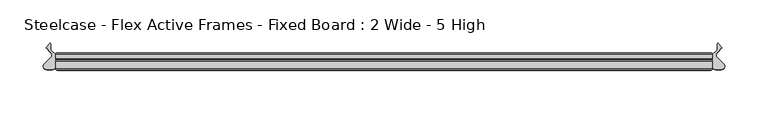
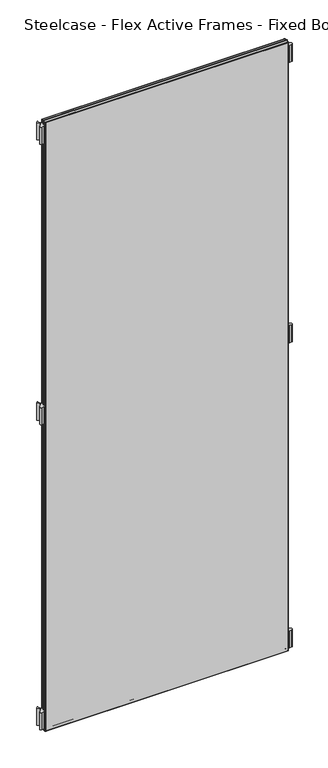
"""IFC4 building model written with IfcOpenShell, lengths in millimetres: furniture geometry, Steelcase - Flex Active Frames - Fixed Board : 2 Wide - 5 High."""

from ifc_helpers import new_model, si_unit, point, frame, frame_2d, origin, place, context, project, spatial, polyline, circle_curve, ellipse_curve, trimmed, segment, composite_curve, outline, extrude, source, transform, mapped, element, save
from ifc_brep_helpers import plane_surface, cylinder_surface, advanced_brep


def steelcase_flex_active_frames_fixed_board_2_wide_5_high_8d35964a(model_context):
    return source(origin(), model_context, "Body", "SolidModel", [
        extrude(outline(composite_curve([segment(trimmed(circle_curve(frame_2d((766.2196763, -15.2513959)), 3.81), [point((768.9118703, -12.5554375))], [point((766.2196713, -19.0613959))], False, "CARTESIAN"), True, "CONTINUOUS"), segment(polyline([(766.2196713, -19.0613959), (759.713995, -19.0613873)]), True, "CONTINUOUS"), segment(trimmed(circle_curve(frame_2d((759.714, -15.2513873)), 3.81), [point((759.713995, -19.0613873))], [point((755.904, -15.2513873))], False, "CARTESIAN"), True, "CONTINUOUS"), segment(polyline([(755.904, -15.2513873), (755.904, -2.0686095), (761.4063592, 3.4250486), (761.4063592, 10.299411), (762.1123238, 11.2027231), (767.0660919, 6.2470172), (761.3290632, 0.3149559)]), True, "CONTINUOUS"), segment(trimmed(circle_curve(frame_2d((764.0677853, -2.3337233)), 3.81), [point((761.3290632, 0.3149559))], [point((761.3755914, -5.0296817))], True, "CARTESIAN"), True, "CONTINUOUS"), segment(polyline([(761.3755914, -5.0296817), (768.9118703, -12.5554375)]), True, "CONTINUOUS")], self_intersect=False)), frame((0.0, 0.0, 1011.4997902), z_axis=(0.0, 0.0, 1.0), x_axis=(1.0, 0.0, 0.0)), (0.0, 0.0, 1.0), 55.9983261),
        extrude(outline(composite_curve([segment(polyline([(-13.0078703, -12.5554375), (-5.4715914, -5.0296817)]), True, "CONTINUOUS"), segment(trimmed(circle_curve(frame_2d((-8.1637853, -2.3337233)), 3.81), [point((-5.4715914, -5.0296817))], [point((-5.4250632, 0.3149559))], True, "CARTESIAN"), True, "CONTINUOUS"), segment(polyline([(-5.4250632, 0.3149559), (-11.1620919, 6.2470172), (-6.2083238, 11.2027231), (-5.5023592, 10.299411), (-5.5023592, 3.4250486), (0.0, -2.0686095), (0.0, -15.2513873)]), True, "CONTINUOUS"), segment(trimmed(circle_curve(frame_2d((-3.81, -15.2513873)), 3.81), [point((0.0, -15.2513873))], [point((-3.809995, -19.0613873))], False, "CARTESIAN"), True, "CONTINUOUS"), segment(polyline([(-3.809995, -19.0613873), (-10.3156713, -19.0613959)]), True, "CONTINUOUS"), segment(trimmed(circle_curve(frame_2d((-10.3156763, -15.2513959)), 3.81), [point((-10.3156713, -19.0613959))], [point((-13.0078703, -12.5554375))], False, "CARTESIAN"), True, "CONTINUOUS")], self_intersect=False)), frame((0.0, 0.0, 1011.4997902), z_axis=(0.0, 0.0, 1.0), x_axis=(1.0, 0.0, 0.0)), (0.0, 0.0, 1.0), 55.9983261),
        extrude(outline(composite_curve([segment(trimmed(circle_curve(frame_2d((766.2196763, -15.2513959)), 3.81), [point((768.9118703, -12.5554375))], [point((766.2196713, -19.0613959))], False, "CARTESIAN"), True, "CONTINUOUS"), segment(polyline([(766.2196713, -19.0613959), (759.713995, -19.0613873)]), True, "CONTINUOUS"), segment(trimmed(circle_curve(frame_2d((759.714, -15.2513873)), 3.81), [point((759.713995, -19.0613873))], [point((755.904, -15.2513873))], False, "CARTESIAN"), True, "CONTINUOUS"), segment(polyline([(755.904, -15.2513873), (755.904, -2.0686095), (761.4063592, 3.4250486), (761.4063592, 10.299411), (762.1123238, 11.2027231), (767.0660919, 6.2470172), (761.3290632, 0.3149559)]), True, "CONTINUOUS"), segment(trimmed(circle_curve(frame_2d((764.0677853, -2.3337233)), 3.81), [point((761.3290632, 0.3149559))], [point((761.3755914, -5.0296817))], True, "CARTESIAN"), True, "CONTINUOUS"), segment(polyline([(761.3755914, -5.0296817), (768.9118703, -12.5554375)]), True, "CONTINUOUS")], self_intersect=False)), frame((0.0, 0.0, 9.5000015), z_axis=(0.0, 0.0, 1.0), x_axis=(1.0, 0.0, 0.0)), (0.0, 0.0, 1.0), 55.9983261),
        extrude(outline(composite_curve([segment(trimmed(circle_curve(frame_2d((766.2196763, -15.2513959)), 3.81), [point((768.9118703, -12.5554375))], [point((766.2196713, -19.0613959))], False, "CARTESIAN"), True, "CONTINUOUS"), segment(polyline([(766.2196713, -19.0613959), (759.713995, -19.0613873)]), True, "CONTINUOUS"), segment(trimmed(circle_curve(frame_2d((759.714, -15.2513873)), 3.81), [point((759.713995, -19.0613873))], [point((755.904, -15.2513873))], False, "CARTESIAN"), True, "CONTINUOUS"), segment(polyline([(755.904, -15.2513873), (755.904, -2.0686095), (761.4063592, 3.4250486), (761.4063592, 10.299411), (762.1123238, 11.2027231), (767.0660919, 6.2470172), (761.3290632, 0.3149559)]), True, "CONTINUOUS"), segment(trimmed(circle_curve(frame_2d((764.0677853, -2.3337233)), 3.81), [point((761.3290632, 0.3149559))], [point((761.3755914, -5.0296817))], True, "CARTESIAN"), True, "CONTINUOUS"), segment(polyline([(761.3755914, -5.0296817), (768.9118703, -12.5554375)]), True, "CONTINUOUS")], self_intersect=False)), frame((0.0, 0.0, 1932.4976006), z_axis=(0.0, 0.0, 1.0), x_axis=(1.0, 0.0, 0.0)), (0.0, 0.0, 1.0), 55.9983261),
        extrude(outline(composite_curve([segment(polyline([(-13.0078703, -12.5554375), (-5.4715914, -5.0296817)]), True, "CONTINUOUS"), segment(trimmed(circle_curve(frame_2d((-8.1637853, -2.3337233)), 3.81), [point((-5.4715914, -5.0296817))], [point((-5.4250632, 0.3149559))], True, "CARTESIAN"), True, "CONTINUOUS"), segment(polyline([(-5.4250632, 0.3149559), (-11.1620919, 6.2470172), (-6.2083238, 11.2027231), (-5.5023592, 10.299411), (-5.5023592, 3.4250486), (0.0, -2.0686095), (0.0, -15.2513873)]), True, "CONTINUOUS"), segment(trimmed(circle_curve(frame_2d((-3.81, -15.2513873)), 3.81), [point((0.0, -15.2513873))], [point((-3.809995, -19.0613873))], False, "CARTESIAN"), True, "CONTINUOUS"), segment(polyline([(-3.809995, -19.0613873), (-10.3156713, -19.0613959)]), True, "CONTINUOUS"), segment(trimmed(circle_curve(frame_2d((-10.3156763, -15.2513959)), 3.81), [point((-10.3156713, -19.0613959))], [point((-13.0078703, -12.5554375))], False, "CARTESIAN"), True, "CONTINUOUS")], self_intersect=False)), frame((0.0, 0.0, 9.5000015), z_axis=(0.0, 0.0, 1.0), x_axis=(1.0, 0.0, 0.0)), (0.0, 0.0, 1.0), 55.9983261),
        extrude(outline(composite_curve([segment(polyline([(-13.0078703, -12.5554375), (-5.4715914, -5.0296817)]), True, "CONTINUOUS"), segment(trimmed(circle_curve(frame_2d((-8.1637853, -2.3337233)), 3.81), [point((-5.4715914, -5.0296817))], [point((-5.4250632, 0.3149559))], True, "CARTESIAN"), True, "CONTINUOUS"), segment(polyline([(-5.4250632, 0.3149559), (-11.1620919, 6.2470172), (-6.2083238, 11.2027231), (-5.5023592, 10.299411), (-5.5023592, 3.4250486), (0.0, -2.0686095), (0.0, -15.2513873)]), True, "CONTINUOUS"), segment(trimmed(circle_curve(frame_2d((-3.81, -15.2513873)), 3.81), [point((0.0, -15.2513873))], [point((-3.809995, -19.0613873))], False, "CARTESIAN"), True, "CONTINUOUS"), segment(polyline([(-3.809995, -19.0613873), (-10.3156713, -19.0613959)]), True, "CONTINUOUS"), segment(trimmed(circle_curve(frame_2d((-10.3156763, -15.2513959)), 3.81), [point((-10.3156713, -19.0613959))], [point((-13.0078703, -12.5554375))], False, "CARTESIAN"), True, "CONTINUOUS")], self_intersect=False)), frame((0.0, 0.0, 1932.4976006), z_axis=(0.0, 0.0, 1.0), x_axis=(1.0, 0.0, 0.0)), (0.0, 0.0, 1.0), 55.9983261),
        extrude(outline(polyline([(754.4039947, -19.7016999), (1.5000053, -19.7016999), (1.5000053, -8.0000171), (754.4039947, -8.0000171), (754.4039947, -19.7016999)])), frame((0.0, 0.0, 1.5000053), z_axis=(0.0, 0.0, 1.0), x_axis=(1.0, 0.0, 0.0)), (0.0, 0.0, 1.0), 1996.9959893),
        advanced_brep(
        [(0.0, -9.5000224, 1999.996), (1.5000053, -8.0000171, 1998.4959947), (1.5000053, -8.0000171, 1.5000053), (0.0, -9.5000224, 0.0), (0.0, -18.2016946, 1999.996), (0.0, -18.2016946, 0.0), (1.5000053, -19.7016999, 1998.4959947), (1.5000053, -19.7016999, 1.5000053), (754.4039947, -8.0000171, 1.5000053), (755.904, -9.5000224, 0.0), (755.904, -18.2016946, 0.0), (754.4039947, -19.7016999, 1.5000053), (754.4039947, -8.0000171, 1998.4959947), (755.904, -9.5000224, 1999.996), (755.904, -18.2016946, 1999.996), (754.4039947, -19.7016999, 1998.4959947)],
        [
            (0, 1, ellipse_curve(frame((1.5000053, -9.5000224, 1998.4959947), z_axis=(-0.7071067811865475, 0.0, -0.7071067811865475), x_axis=(-0.7071067811865474, 0.0, 0.7071067811865476)), 2.1213279, 1.5000053)),
            (1, 2),
            (2, 3, ellipse_curve(frame((1.5000053, -9.5000224, 1.5000053), z_axis=(-0.7071067811865475, 0.0, 0.7071067811865475), x_axis=(0.7071067811865474, 0.0, 0.7071067811865476)), 2.1213279, 1.5000053)),
            (3, 0),
            (4, 0),
            (3, 5),
            (5, 4),
            (1, 6),
            (6, 7),
            (7, 2),
            (2, 8),
            (8, 9, ellipse_curve(frame((754.4039947, -9.5000224, 1.5000053), z_axis=(-0.7071067811865475, 0.0, -0.7071067811865475), x_axis=(-0.7071067811865476, 0.0, 0.7071067811865474)), 2.1213279, 1.5000053)),
            (9, 3),
            (9, 10),
            (10, 5),
            (7, 11),
            (11, 8),
            (8, 12),
            (12, 13, ellipse_curve(frame((754.4039947, -9.5000224, 1998.4959947), z_axis=(0.7071067811865475, 0.0, -0.7071067811865475), x_axis=(-0.7071067811865474, 0.0, -0.7071067811865476)), 2.1213279, 1.5000053)),
            (13, 9),
            (13, 14),
            (14, 10),
            (11, 15),
            (15, 12),
            (12, 1),
            (0, 13),
            (4, 14),
            (15, 6),
            (6, 4, ellipse_curve(frame((1.5000053, -18.2016946, 1998.4959947), z_axis=(-0.7071067811865475, 0.0, -0.7071067811865475), x_axis=(-0.7071067811865474, 0.0, 0.7071067811865476)), 2.1213279, 1.5000053)),
            (5, 7, ellipse_curve(frame((1.5000053, -18.2016946, 1.5000053), z_axis=(-0.7071067811865475, 0.0, 0.7071067811865475), x_axis=(0.7071067811865474, 0.0, 0.7071067811865476)), 2.1213279, 1.5000053)),
            (10, 11, ellipse_curve(frame((754.4039947, -18.2016946, 1.5000053), z_axis=(-0.7071067811865475, 0.0, -0.7071067811865475), x_axis=(-0.7071067811865476, 0.0, 0.7071067811865474)), 2.1213279, 1.5000053)),
            (14, 15, ellipse_curve(frame((754.4039947, -18.2016946, 1998.4959947), z_axis=(0.7071067811865475, 0.0, -0.7071067811865475), x_axis=(-0.7071067811865474, 0.0, -0.7071067811865476)), 2.1213279, 1.5000053)),
        ],
        [
            cylinder_surface(frame((1.5000053, -9.5000224, 1999.996), z_axis=(0.0, 0.0, 1.0), x_axis=(1.0, 0.0, 0.0)), 1.5000053),
            plane_surface(frame((0.0, -9.5000224, 1999.996), z_axis=(-1.0, 0.0, 0.0), x_axis=(0.0, 0.0, -1.0))),
            plane_surface(frame((1.5000053, -19.7016999, 1998.4959947), z_axis=(1.0, 0.0, 0.0), x_axis=(0.0, 0.0, -1.0))),
            cylinder_surface(frame((0.0, -9.5000224, 1.5000053), z_axis=(-1.0, 0.0, 0.0), x_axis=(0.0, 0.0, 1.0)), 1.5000053),
            plane_surface(frame((0.0, -9.5000224, 0.0), z_axis=(0.0, 0.0, -1.0), x_axis=(1.0, 0.0, 0.0))),
            plane_surface(frame((1.5000053, -19.7016999, 1.5000053), z_axis=(0.0, 0.0, 1.0), x_axis=(1.0, 0.0, 0.0))),
            cylinder_surface(frame((754.4039947, -9.5000224, 0.0), z_axis=(0.0, 0.0, -1.0), x_axis=(-1.0, 0.0, 0.0)), 1.5000053),
            plane_surface(frame((755.904, -9.5000224, 0.0), z_axis=(1.0, 0.0, 0.0), x_axis=(0.0, 0.0, 1.0))),
            plane_surface(frame((754.4039947, -19.7016999, 1.5000053), z_axis=(-1.0, 0.0, 0.0), x_axis=(0.0, 0.0, 1.0))),
            cylinder_surface(frame((755.904, -9.5000224, 1998.4959947), z_axis=(1.0, 0.0, 0.0), x_axis=(0.0, 0.0, -1.0)), 1.5000053),
            plane_surface(frame((755.904, -9.5000224, 1999.996), z_axis=(0.0, 0.0, 1.0), x_axis=(-1.0, 0.0, 0.0))),
            plane_surface(frame((754.4039947, -19.7016999, 1998.4959947), z_axis=(0.0, 0.0, -1.0), x_axis=(-1.0, 0.0, 0.0))),
            cylinder_surface(frame((1.5000053, -18.2016946, 1999.996), z_axis=(0.0, 0.0, 1.0), x_axis=(1.0, 0.0, 0.0)), 1.5000053),
            cylinder_surface(frame((0.0, -18.2016946, 1.5000053), z_axis=(-1.0, 0.0, 0.0), x_axis=(0.0, 0.0, 1.0)), 1.5000053),
            cylinder_surface(frame((754.4039947, -18.2016946, 0.0), z_axis=(0.0, 0.0, -1.0), x_axis=(-1.0, 0.0, 0.0)), 1.5000053),
            cylinder_surface(frame((755.904, -18.2016946, 1998.4959947), z_axis=(1.0, 0.0, 0.0), x_axis=(0.0, 0.0, -1.0)), 1.5000053),
        ],
        [
            (0, [[1, 2, 3, 4]]),
            (1, [[5, -4, 6, 7]]),
            (2, [[8, 9, 10, -2]]),
            (3, [[-3, 11, 12, 13]]),
            (4, [[-6, -13, 14, 15]]),
            (5, [[-10, 16, 17, -11]]),
            (6, [[-12, 18, 19, 20]]),
            (7, [[-14, -20, 21, 22]]),
            (8, [[-17, 23, 24, -18]]),
            (9, [[-19, 25, -1, 26]]),
            (10, [[-21, -26, -5, 27]]),
            (11, [[-24, 28, -8, -25]]),
            (12, [[29, -7, 30, -9]]),
            (13, [[-30, -15, 31, -16]]),
            (14, [[-31, -22, 32, -23]]),
            (15, [[-32, -27, -29, -28]]),
        ],
    ),
        extrude(outline(polyline([(754.4039947, -8.0000171), (1.5000053, -8.0000171), (1.5000053, 0.0), (754.4039947, 0.0), (754.4039947, -8.0000171)])), frame((0.0, 0.0, 1.5000053), z_axis=(0.0, 0.0, 1.0), x_axis=(1.0, 0.0, 0.0)), (0.0, 0.0, 1.0), 1996.9959893),
        advanced_brep(
        [(0.0, -1.5000053, 1999.996), (1.5000053, 0.0, 1998.4959947), (1.5000053, 0.0, 1.5000053), (0.0, -1.5000053, 0.0), (0.0, -6.5000117, 1999.996), (0.0, -6.5000117, 0.0), (1.5000053, -8.0000171, 1998.4959947), (1.5000053, -8.0000171, 1.5000053), (754.4039947, 0.0, 1.5000053), (755.904, -1.5000053, 0.0), (755.904, -6.5000117, 0.0), (754.4039947, -8.0000171, 1.5000053), (754.4039947, 0.0, 1998.4959947), (755.904, -1.5000053, 1999.996), (755.904, -6.5000117, 1999.996), (754.4039947, -8.0000171, 1998.4959947)],
        [
            (0, 1, ellipse_curve(frame((1.5000053, -1.5000053, 1998.4959947), z_axis=(-0.7071067811865475, 0.0, -0.7071067811865475), x_axis=(-0.7071067811865474, 0.0, 0.7071067811865476)), 2.1213279, 1.5000053)),
            (1, 2),
            (2, 3, ellipse_curve(frame((1.5000053, -1.5000053, 1.5000053), z_axis=(-0.7071067811865475, 0.0, 0.7071067811865475), x_axis=(0.7071067811865474, 0.0, 0.7071067811865476)), 2.1213279, 1.5000053)),
            (3, 0),
            (4, 0),
            (3, 5),
            (5, 4),
            (6, 4, ellipse_curve(frame((1.5000053, -6.5000117, 1998.4959947), z_axis=(-0.7071067811865475, 0.0, -0.7071067811865475), x_axis=(-0.7071067811865474, 0.0, 0.7071067811865476)), 2.1213279, 1.5000053)),
            (5, 7, ellipse_curve(frame((1.5000053, -6.5000117, 1.5000053), z_axis=(-0.7071067811865475, 0.0, 0.7071067811865475), x_axis=(0.7071067811865474, 0.0, 0.7071067811865476)), 2.1213279, 1.5000053)),
            (7, 6),
            (1, 6),
            (7, 2),
            (2, 8),
            (8, 9, ellipse_curve(frame((754.4039947, -1.5000053, 1.5000053), z_axis=(-0.7071067811865475, 0.0, -0.7071067811865475), x_axis=(-0.7071067811865476, 0.0, 0.7071067811865474)), 2.1213279, 1.5000053)),
            (9, 3),
            (9, 10),
            (10, 5),
            (10, 11, ellipse_curve(frame((754.4039947, -6.5000117, 1.5000053), z_axis=(-0.7071067811865475, 0.0, -0.7071067811865475), x_axis=(-0.7071067811865476, 0.0, 0.7071067811865474)), 2.1213279, 1.5000053)),
            (11, 7),
            (11, 8),
            (8, 12),
            (12, 13, ellipse_curve(frame((754.4039947, -1.5000053, 1998.4959947), z_axis=(0.7071067811865475, 0.0, -0.7071067811865475), x_axis=(-0.7071067811865474, 0.0, -0.7071067811865476)), 2.1213279, 1.5000053)),
            (13, 9),
            (13, 14),
            (14, 10),
            (14, 15, ellipse_curve(frame((754.4039947, -6.5000117, 1998.4959947), z_axis=(0.7071067811865475, 0.0, -0.7071067811865475), x_axis=(-0.7071067811865474, 0.0, -0.7071067811865476)), 2.1213279, 1.5000053)),
            (15, 11),
            (15, 12),
            (12, 1),
            (0, 13),
            (4, 14),
            (6, 15),
        ],
        [
            cylinder_surface(frame((1.5000053, -1.5000053, 1999.996), z_axis=(0.0, 0.0, 1.0), x_axis=(1.0, 0.0, 0.0)), 1.5000053),
            plane_surface(frame((0.0, -1.5000053, 1999.996), z_axis=(-1.0, 0.0, 0.0), x_axis=(0.0, 0.0, -1.0))),
            cylinder_surface(frame((1.5000053, -6.5000117, 1999.996), z_axis=(0.0, 0.0, 1.0), x_axis=(1.0, 0.0, 0.0)), 1.5000053),
            plane_surface(frame((1.5000053, -8.0000171, 1998.4959947), z_axis=(1.0, 0.0, 0.0), x_axis=(0.0, 0.0, -1.0))),
            cylinder_surface(frame((0.0, -1.5000053, 1.5000053), z_axis=(-1.0, 0.0, 0.0), x_axis=(0.0, 0.0, 1.0)), 1.5000053),
            plane_surface(frame((0.0, -1.5000053, 0.0), z_axis=(0.0, 0.0, -1.0), x_axis=(1.0, 0.0, 0.0))),
            cylinder_surface(frame((0.0, -6.5000117, 1.5000053), z_axis=(-1.0, 0.0, 0.0), x_axis=(0.0, 0.0, 1.0)), 1.5000053),
            plane_surface(frame((1.5000053, -8.0000171, 1.5000053), z_axis=(0.0, 0.0, 1.0), x_axis=(1.0, 0.0, 0.0))),
            cylinder_surface(frame((754.4039947, -1.5000053, 0.0), z_axis=(0.0, 0.0, -1.0), x_axis=(-1.0, 0.0, 0.0)), 1.5000053),
            plane_surface(frame((755.904, -1.5000053, 0.0), z_axis=(1.0, 0.0, 0.0), x_axis=(0.0, 0.0, 1.0))),
            cylinder_surface(frame((754.4039947, -6.5000117, 0.0), z_axis=(0.0, 0.0, -1.0), x_axis=(-1.0, 0.0, 0.0)), 1.5000053),
            plane_surface(frame((754.4039947, -8.0000171, 1.5000053), z_axis=(-1.0, 0.0, 0.0), x_axis=(0.0, 0.0, 1.0))),
            cylinder_surface(frame((755.904, -1.5000053, 1998.4959947), z_axis=(1.0, 0.0, 0.0), x_axis=(0.0, 0.0, -1.0)), 1.5000053),
            plane_surface(frame((755.904, -1.5000053, 1999.996), z_axis=(0.0, 0.0, 1.0), x_axis=(-1.0, 0.0, 0.0))),
            cylinder_surface(frame((755.904, -6.5000117, 1998.4959947), z_axis=(1.0, 0.0, 0.0), x_axis=(0.0, 0.0, -1.0)), 1.5000053),
            plane_surface(frame((754.4039947, -8.0000171, 1998.4959947), z_axis=(0.0, 0.0, -1.0), x_axis=(-1.0, 0.0, 0.0))),
        ],
        [
            (0, [[1, 2, 3, 4]]),
            (1, [[5, -4, 6, 7]]),
            (2, [[8, -7, 9, 10]]),
            (3, [[11, -10, 12, -2]]),
            (4, [[-3, 13, 14, 15]]),
            (5, [[-6, -15, 16, 17]]),
            (6, [[-9, -17, 18, 19]]),
            (7, [[-12, -19, 20, -13]]),
            (8, [[-14, 21, 22, 23]]),
            (9, [[-16, -23, 24, 25]]),
            (10, [[-18, -25, 26, 27]]),
            (11, [[-20, -27, 28, -21]]),
            (12, [[-22, 29, -1, 30]]),
            (13, [[-24, -30, -5, 31]]),
            (14, [[-26, -31, -8, 32]]),
            (15, [[-28, -32, -11, -29]]),
        ],
    ),
    ])


if __name__ == "__main__":
    model = new_model("IFC4")
    model_context = context("Model", 3, world=origin())
    ifc_project = project(units=[si_unit("LENGTHUNIT", "METRE", prefix="MILLI")], contexts=[model_context])
    site = spatial("IfcSite", under=ifc_project)
    building = spatial("IfcBuilding", under=site)
    placement = place(None, origin())
    steelcase_flex_active_frames_fixed_board_2_wide_5_high_shape = steelcase_flex_active_frames_fixed_board_2_wide_5_high_8d35964a(model_context)
    element("IfcFurniture", 1, ObjectType="Steelcase - Flex Active Frames - Fixed Board : 2 Wide - 5 High", at=placement, inside=building, context=model_context, shape_type="MappedRepresentation", body=[
        mapped(steelcase_flex_active_frames_fixed_board_2_wide_5_high_shape, transform((0.0, 0.0, 0.0), x_axis=(1.0, 0.0, 0.0), y_axis=(0.0, 1.0, 0.0), z_axis=(0.0, 0.0, 1.0))),
    ])
    save(model, "model.ifc")
